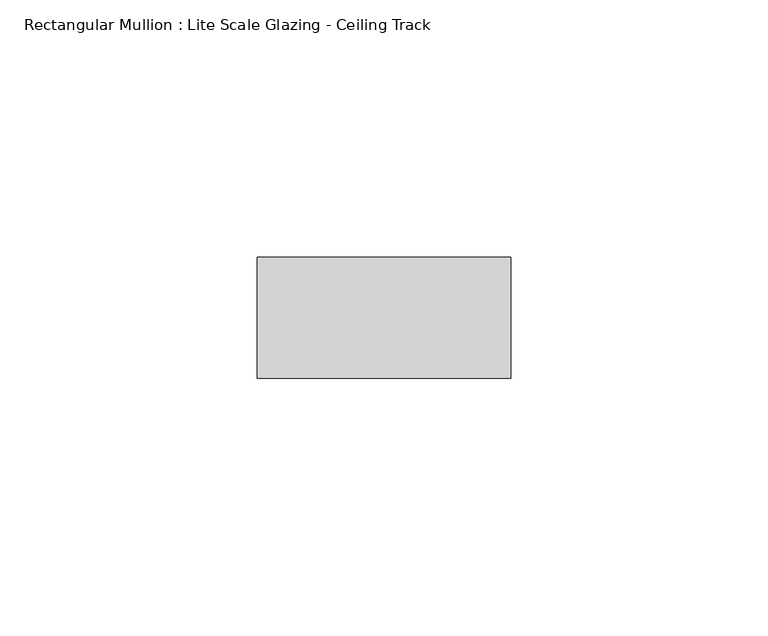
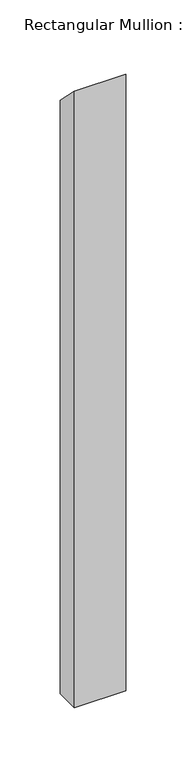
"""IFC4 building model written with IfcOpenShell, lengths in millimetres: member geometry, Rectangular Mullion : Lite Scale Glazing - Ceiling Track."""

from ifc_helpers import new_model, si_unit, frame, origin, place, context, project, spatial, polyline, outline, extrude, source, transform, mapped, element, save


def rectangular_mullion_lite_scale_glazing_ceiling_track_cd3fd372(model_context):
    return source(origin(), model_context, "Body", "SweptSolid", [
        extrude(outline(polyline([(-11.7474999, 11.7474999), (11.7474999, -11.7474999), (11.7474999, -614.68), (-11.7474999, -614.68), (-11.7474999, 11.7474999)])), frame((-49.276, 0.0, 0.0), z_axis=(1.0, 0.0, 0.0), x_axis=(0.0, 1.0, 0.0)), (0.0, 0.0, 1.0), 49.276),
    ])


if __name__ == "__main__":
    model = new_model("IFC4")
    model_context = context("Model", 3, world=origin())
    ifc_project = project(units=[si_unit("LENGTHUNIT", "METRE", prefix="MILLI")], contexts=[model_context])
    site = spatial("IfcSite", under=ifc_project)
    building = spatial("IfcBuilding", under=site)
    placement = place(None, origin())
    rectangular_mullion_lite_scale_glazing_ceiling_track_shape = rectangular_mullion_lite_scale_glazing_ceiling_track_cd3fd372(model_context)
    element("IfcMember", 1, ObjectType="Rectangular Mullion : Lite Scale Glazing - Ceiling Track", at=placement, inside=building, context=model_context, shape_type="MappedRepresentation", body=[
        mapped(rectangular_mullion_lite_scale_glazing_ceiling_track_shape, transform((0.0, 0.0, 0.0), x_axis=(1.0, 0.0, 0.0), y_axis=(0.0, 1.0, 0.0), z_axis=(0.0, 0.0, 1.0))),
    ])
    save(model, "model.ifc")
